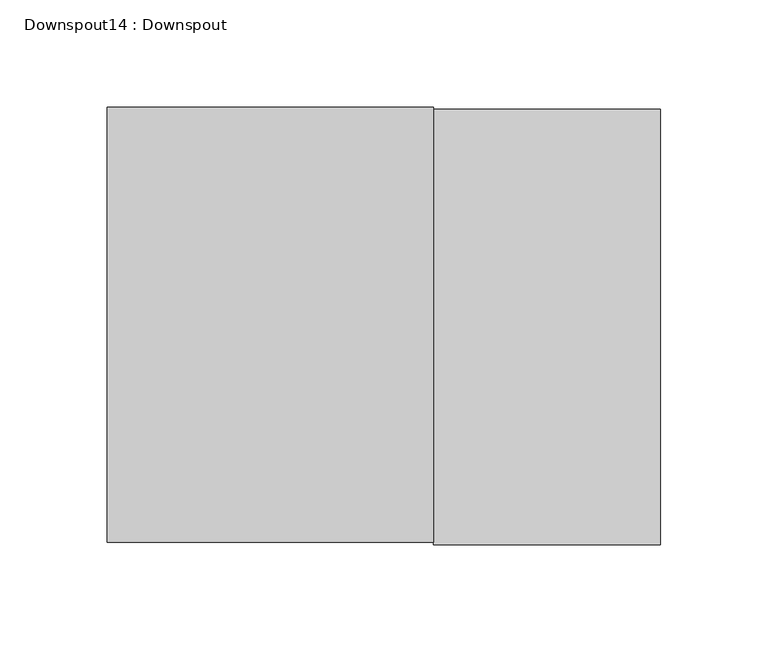
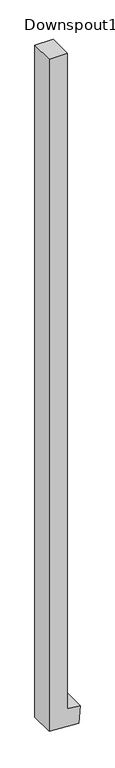
"""IFC4 building model written with IfcOpenShell, lengths in millimetres: proxy geometry, Downspout14 : Downspout."""

from ifc_helpers import new_model, si_unit, frame, origin, place, context, project, spatial, polyline, outline, extrude, source, transform, mapped, element, save


def downspout14_downspout_fa5f0804(model_context):
    return source(origin(), model_context, "Body", "SweptSolid", [
        extrude(outline(polyline([(117.1620314, 218877.1557747), (101.6, 219126.1482776), (253.703213, 219135.6547284), (260.3343976, 219029.5557747), (6028.2393596, 219029.5557747), (6028.2393596, 218877.1557747), (117.1620314, 218877.1557747)])), frame((0.0, 300624.1980843, 0.0), z_axis=(0.0, 1.0, 0.0), x_axis=(0.0, 0.0, 1.0)), (0.0, 0.0, 1.0), 203.2),
    ])


if __name__ == "__main__":
    model = new_model("IFC4")
    model_context = context("Model", 3, world=origin())
    ifc_project = project(units=[si_unit("LENGTHUNIT", "METRE", prefix="MILLI")], contexts=[model_context])
    site = spatial("IfcSite", under=ifc_project)
    building = spatial("IfcBuilding", under=site)
    placement = place(None, origin())
    downspout14_downspout_shape = downspout14_downspout_fa5f0804(model_context)
    element("IfcBuildingElementProxy", 1, Name="Downspout14 : Downspout", ObjectType="Downspout14 : Downspout", at=placement, inside=building, context=model_context, shape_type="MappedRepresentation", body=[
        mapped(downspout14_downspout_shape, transform((0.0, 0.0, 0.0), x_axis=(1.0, 0.0, 0.0), y_axis=(0.0, 1.0, 0.0), z_axis=(0.0, 0.0, 1.0))),
    ])
    save(model, "model.ifc")
